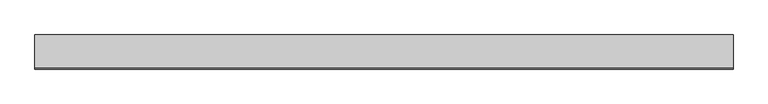
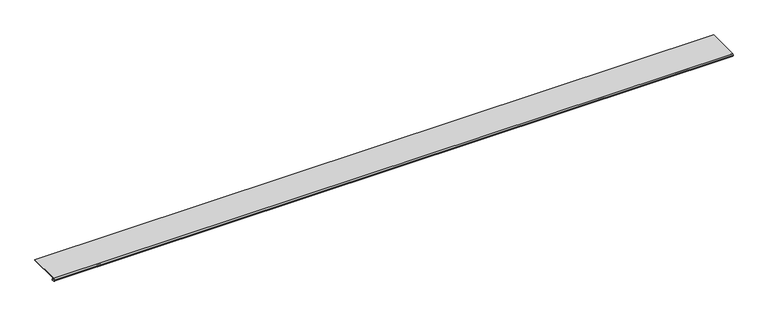
"""IFC4 building model written with IfcOpenShell, lengths in millimetres: proxy geometry."""

from ifc_helpers import new_model, si_unit, point, frame, frame_2d, origin, place, context, project, spatial, polyline, circle_curve, trimmed, segment, composite_curve, outline, extrude, source, transform, mapped, element, save


def generic_models_69dca386(model_context):
    return source(origin(), model_context, "Body", "SweptSolid", [
        extrude(outline(composite_curve([segment(polyline([(88.9, 13.2537076), (88.9, 11.6837076), (4.9698231, 11.6837076)]), True, "CONTINUOUS"), segment(trimmed(circle_curve(frame_2d((4.9836004, 10.5900854)), 1.093709), [point((4.9698231, 11.6837076))], [point((4.9454257, 9.4970429))], True, "CARTESIAN"), True, "CONTINUOUS"), segment(polyline([(4.9454257, 9.4970429), (6.3252986, 9.4327708)]), True, "CONTINUOUS"), segment(trimmed(circle_curve(frame_2d((6.2190404, 7.151486)), 2.2837581), [point((6.3252986, 9.4327708))], [point((6.2190404, 4.8677279))], False, "CARTESIAN"), True, "CONTINUOUS"), segment(polyline([(6.2190404, 4.8677279), (2.2867276, 4.8677279)]), True, "CONTINUOUS"), segment(trimmed(circle_curve(frame_2d((2.2867276, 5.5318063)), 0.6640784), [point((2.2867276, 4.8677279))], [point((2.2368711, 6.1940104))], False, "CARTESIAN"), True, "CONTINUOUS"), segment(polyline([(2.2368711, 6.1940104), (4.5055344, 6.3177279), (6.0740222, 6.3177279)]), True, "CONTINUOUS"), segment(trimmed(circle_curve(frame_2d((6.0740222, 7.2927279)), 0.975), [point((6.0740222, 6.3177279))], [point((6.0740222, 8.2677279))], True, "CARTESIAN"), True, "CONTINUOUS"), segment(polyline([(6.0740222, 8.2677279), (4.8748016, 8.2677279), (3.9297655, 8.3107178)]), True, "CONTINUOUS"), segment(trimmed(circle_curve(frame_2d((2.4847467, 6.6596487)), 2.1941076), [point((3.9297655, 8.3107178))], [point((1.0903749, 8.3537076))], True, "CARTESIAN"), True, "CONTINUOUS"), segment(polyline([(1.0903749, 8.3537076), (0.065443, 8.3537076), (0.065443, 9.2261945), (2.1184419, 13.2537076), (88.9, 13.2537076)]), True, "CONTINUOUS")], self_intersect=False)), frame((0.0, 0.0, 0.0), z_axis=(1.0, 0.0, 0.0), x_axis=(0.0, 1.0, 0.0)), (0.0, 0.0, 1.0), 1815.546),
    ])


if __name__ == "__main__":
    model = new_model("IFC4")
    model_context = context("Model", 3, world=origin())
    ifc_project = project(units=[si_unit("LENGTHUNIT", "METRE", prefix="MILLI")], contexts=[model_context])
    site = spatial("IfcSite", under=ifc_project)
    building = spatial("IfcBuilding", under=site)
    placement = place(None, origin())
    generic_models_shape = generic_models_69dca386(model_context)
    element("IfcBuildingElementProxy", 1, Name="Generic Models", at=placement, inside=building, context=model_context, shape_type="MappedRepresentation", body=[
        mapped(generic_models_shape, transform((0.0, 0.0, 0.0), x_axis=(1.0, 0.0, 0.0), y_axis=(0.0, 1.0, 0.0), z_axis=(0.0, 0.0, 1.0))),
    ])
    save(model, "model.ifc")
